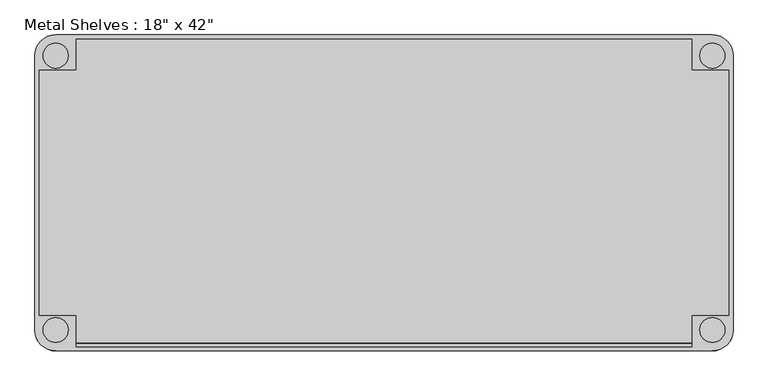
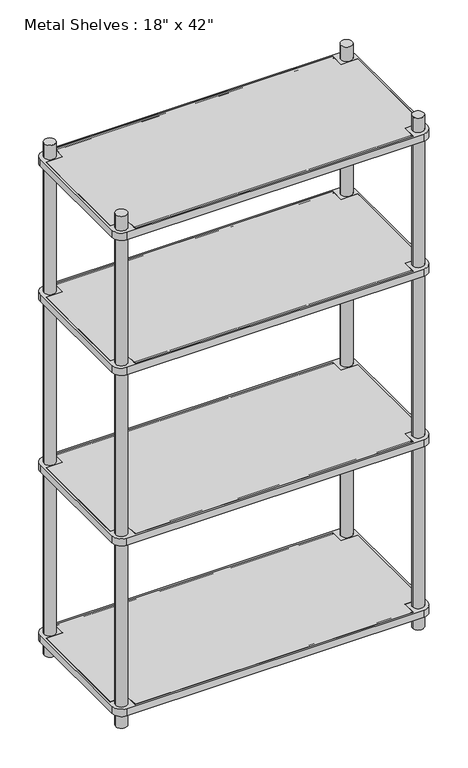
"""IFC4 building model written with IfcOpenShell, lengths in millimetres: furniture geometry."""

from ifc_helpers import new_model, si_unit, point, frame, frame_2d, origin, origin_with_axes, place, context, project, spatial, polyline, circle_curve, trimmed, segment, composite_curve, outline, extrude, source, transform, mapped, element, save


def furniture_3a2d54ac(model_context):
    return source(origin(), model_context, "Body", "SweptSolid", [
        extrude(outline(polyline([(-469.9, 234.95), (469.9, 234.95), (469.9, 187.325), (527.05, 187.325), (527.05, -187.325), (469.9, -187.325), (469.9, -234.95), (-469.9, -234.95), (-469.9, -187.325), (-527.05, -187.325), (-527.05, 187.325), (-469.9, 187.325), (-469.9, 234.95)])), frame((0.0, 0.0, 50.8), z_axis=(0.0, 0.0, 1.0), x_axis=(1.0, 0.0, 0.0)), (0.0, 0.0, 1.0), 25.4),
        extrude(outline(polyline([(-469.9, 234.95), (469.9, 234.95), (469.9, 187.325), (527.05, 187.325), (527.05, -187.325), (469.9, -187.325), (469.9, -234.95), (-469.9, -234.95), (-469.9, -187.325), (-527.05, -187.325), (-527.05, 187.325), (-469.9, 187.325), (-469.9, 234.95)])), frame((0.0, 0.0, 660.4), z_axis=(0.0, 0.0, 1.0), x_axis=(1.0, 0.0, 0.0)), (0.0, 0.0, 1.0), 25.4),
        extrude(outline(polyline([(-469.9, 234.95), (469.9, 234.95), (469.9, 187.325), (527.05, 187.325), (527.05, -187.325), (469.9, -187.325), (469.9, -234.95), (-469.9, -234.95), (-469.9, -187.325), (-527.05, -187.325), (-527.05, 187.325), (-469.9, 187.325), (-469.9, 234.95)])), frame((0.0, 0.0, 1270.0), z_axis=(0.0, 0.0, 1.0), x_axis=(1.0, 0.0, 0.0)), (0.0, 0.0, 1.0), 25.4),
        extrude(outline(polyline([(-527.05, 187.325), (-469.9, 187.325), (-469.9, 234.95), (469.9, 234.95), (469.9, 187.325), (527.05, 187.325), (527.05, -187.325), (469.9, -187.325), (469.9, -234.95), (-469.9, -234.95), (-469.9, -187.325), (-527.05, -187.325), (-527.05, 187.325)])), frame((0.0, 0.0, 1752.6), z_axis=(0.0, 0.0, 1.0), x_axis=(1.0, 0.0, 0.0)), (0.0, 0.0, 1.0), 25.4),
        extrude(outline(composite_curve([segment(trimmed(circle_curve(frame_2d((501.65, -209.55)), 31.75), [point((533.4, -209.55))], [point((501.65, -241.3))], False, "CARTESIAN"), True, "CONTINUOUS"), segment(polyline([(501.65, -241.3), (-501.65, -241.3)]), True, "CONTINUOUS"), segment(trimmed(circle_curve(frame_2d((-501.65, -209.55)), 31.75), [point((-501.65, -241.3))], [point((-533.4, -209.55))], False, "CARTESIAN"), True, "CONTINUOUS"), segment(polyline([(-533.4, -209.55), (-533.4, 209.55)]), True, "CONTINUOUS"), segment(trimmed(circle_curve(frame_2d((-501.65, 209.55)), 31.75), [point((-533.4, 209.55))], [point((-501.65, 241.3))], False, "CARTESIAN"), True, "CONTINUOUS"), segment(polyline([(-501.65, 241.3), (501.65, 241.3)]), True, "CONTINUOUS"), segment(trimmed(circle_curve(frame_2d((501.65, 209.55)), 31.75), [point((501.65, 241.3))], [point((533.4, 209.55))], False, "CARTESIAN"), True, "CONTINUOUS"), segment(polyline([(533.4, 209.55), (533.4, -209.55)]), True, "CONTINUOUS")], self_intersect=False), holes=[polyline([(-469.9, -234.95), (469.9, -234.95), (469.9, -187.325), (527.05, -187.325), (527.05, 187.325), (469.9, 187.325), (469.9, 234.95), (-469.9, 234.95), (-469.9, 187.325), (-527.05, 187.325), (-527.05, -187.325), (-469.9, -187.325), (-469.9, -234.95)]), composite_curve([segment(trimmed(circle_curve(frame_2d((501.65, -209.55)), 19.05), [point((482.6, -209.55))], [point((520.7, -209.55))], True, "CARTESIAN"), True, "CONTINUOUS"), segment(trimmed(circle_curve(frame_2d((501.65, -209.55)), 19.05), [point((520.7, -209.55))], [point((482.6, -209.55))], True, "CARTESIAN"), True, "CONTINUOUS")], self_intersect=False), composite_curve([segment(trimmed(circle_curve(frame_2d((501.65, 209.55)), 19.05), [point((482.6, 209.55))], [point((520.7, 209.55))], True, "CARTESIAN"), True, "CONTINUOUS"), segment(trimmed(circle_curve(frame_2d((501.65, 209.55)), 19.05), [point((520.7, 209.55))], [point((482.6, 209.55))], True, "CARTESIAN"), True, "CONTINUOUS")], self_intersect=False), composite_curve([segment(trimmed(circle_curve(frame_2d((-501.65, 209.55)), 19.05), [point((-482.6, 209.55))], [point((-520.7, 209.55))], True, "CARTESIAN"), True, "CONTINUOUS"), segment(trimmed(circle_curve(frame_2d((-501.65, 209.55)), 19.05), [point((-520.7, 209.55))], [point((-482.6, 209.55))], True, "CARTESIAN"), True, "CONTINUOUS")], self_intersect=False), composite_curve([segment(trimmed(circle_curve(frame_2d((-501.65, -209.55)), 19.05), [point((-482.6, -209.55))], [point((-520.7, -209.55))], True, "CARTESIAN"), True, "CONTINUOUS"), segment(trimmed(circle_curve(frame_2d((-501.65, -209.55)), 19.05), [point((-520.7, -209.55))], [point((-482.6, -209.55))], True, "CARTESIAN"), True, "CONTINUOUS")], self_intersect=False)]), frame((0.0, 0.0, 660.4), z_axis=(0.0, 0.0, 1.0), x_axis=(1.0, 0.0, 0.0)), (0.0, 0.0, 1.0), 25.4),
        extrude(outline(composite_curve([segment(trimmed(circle_curve(frame_2d((-501.65, -209.55)), 31.75), [point((-501.65, -241.3))], [point((-533.4, -209.55))], False, "CARTESIAN"), True, "CONTINUOUS"), segment(polyline([(-533.4, -209.55), (-533.4, 209.55)]), True, "CONTINUOUS"), segment(trimmed(circle_curve(frame_2d((-501.65, 209.55)), 31.75), [point((-533.4, 209.55))], [point((-501.65, 241.3))], False, "CARTESIAN"), True, "CONTINUOUS"), segment(polyline([(-501.65, 241.3), (501.65, 241.3)]), True, "CONTINUOUS"), segment(trimmed(circle_curve(frame_2d((501.65, 209.55)), 31.75), [point((501.65, 241.3))], [point((533.4, 209.55))], False, "CARTESIAN"), True, "CONTINUOUS"), segment(polyline([(533.4, 209.55), (533.4, -209.55)]), True, "CONTINUOUS"), segment(trimmed(circle_curve(frame_2d((501.65, -209.55)), 31.75), [point((533.4, -209.55))], [point((501.65, -241.3))], False, "CARTESIAN"), True, "CONTINUOUS"), segment(polyline([(501.65, -241.3), (-501.65, -241.3)]), True, "CONTINUOUS")], self_intersect=False), holes=[composite_curve([segment(trimmed(circle_curve(frame_2d((-501.65, -209.55)), 19.05), [point((-482.6, -209.55))], [point((-520.7, -209.55))], True, "CARTESIAN"), True, "CONTINUOUS"), segment(trimmed(circle_curve(frame_2d((-501.65, -209.55)), 19.05), [point((-520.7, -209.55))], [point((-482.6, -209.55))], True, "CARTESIAN"), True, "CONTINUOUS")], self_intersect=False), composite_curve([segment(trimmed(circle_curve(frame_2d((-501.65, 209.55)), 19.05), [point((-482.6, 209.55))], [point((-520.7, 209.55))], True, "CARTESIAN"), True, "CONTINUOUS"), segment(trimmed(circle_curve(frame_2d((-501.65, 209.55)), 19.05), [point((-520.7, 209.55))], [point((-482.6, 209.55))], True, "CARTESIAN"), True, "CONTINUOUS")], self_intersect=False), composite_curve([segment(trimmed(circle_curve(frame_2d((501.65, -209.55)), 19.05), [point((482.6, -209.55))], [point((520.7, -209.55))], True, "CARTESIAN"), True, "CONTINUOUS"), segment(trimmed(circle_curve(frame_2d((501.65, -209.55)), 19.05), [point((520.7, -209.55))], [point((482.6, -209.55))], True, "CARTESIAN"), True, "CONTINUOUS")], self_intersect=False), composite_curve([segment(trimmed(circle_curve(frame_2d((501.65, 209.55)), 19.05), [point((482.6, 209.55))], [point((520.7, 209.55))], True, "CARTESIAN"), True, "CONTINUOUS"), segment(trimmed(circle_curve(frame_2d((501.65, 209.55)), 19.05), [point((520.7, 209.55))], [point((482.6, 209.55))], True, "CARTESIAN"), True, "CONTINUOUS")], self_intersect=False), polyline([(-469.9, -234.95), (469.9, -234.95), (469.9, -187.325), (527.05, -187.325), (527.05, 187.325), (469.9, 187.325), (469.9, 234.95), (-469.9, 234.95), (-469.9, 187.325), (-527.05, 187.325), (-527.05, -187.325), (-469.9, -187.325), (-469.9, -234.95)])]), frame((0.0, 0.0, 50.8), z_axis=(0.0, 0.0, 1.0), x_axis=(1.0, 0.0, 0.0)), (0.0, 0.0, 1.0), 25.4),
        extrude(outline(composite_curve([segment(trimmed(circle_curve(frame_2d((-501.65, 209.55)), 31.75), [point((-533.4, 209.55))], [point((-501.65, 241.3))], False, "CARTESIAN"), True, "CONTINUOUS"), segment(polyline([(-501.65, 241.3), (501.65, 241.3)]), True, "CONTINUOUS"), segment(trimmed(circle_curve(frame_2d((501.65, 209.55)), 31.75), [point((501.65, 241.3))], [point((533.4, 209.55))], False, "CARTESIAN"), True, "CONTINUOUS"), segment(polyline([(533.4, 209.55), (533.4, -209.55)]), True, "CONTINUOUS"), segment(trimmed(circle_curve(frame_2d((501.65, -209.55)), 31.75), [point((533.4, -209.55))], [point((501.65, -241.3))], False, "CARTESIAN"), True, "CONTINUOUS"), segment(polyline([(501.65, -241.3), (-501.65, -241.3)]), True, "CONTINUOUS"), segment(trimmed(circle_curve(frame_2d((-501.65, -209.55)), 31.75), [point((-501.65, -241.3))], [point((-533.4, -209.55))], False, "CARTESIAN"), True, "CONTINUOUS"), segment(polyline([(-533.4, -209.55), (-533.4, 209.55)]), True, "CONTINUOUS")], self_intersect=False), holes=[composite_curve([segment(trimmed(circle_curve(frame_2d((-501.65, 209.55)), 19.05), [point((-482.6, 209.55))], [point((-520.7, 209.55))], True, "CARTESIAN"), True, "CONTINUOUS"), segment(trimmed(circle_curve(frame_2d((-501.65, 209.55)), 19.05), [point((-520.7, 209.55))], [point((-482.6, 209.55))], True, "CARTESIAN"), True, "CONTINUOUS")], self_intersect=False), composite_curve([segment(trimmed(circle_curve(frame_2d((-501.65, -209.55)), 19.05), [point((-482.6, -209.55))], [point((-520.7, -209.55))], True, "CARTESIAN"), True, "CONTINUOUS"), segment(trimmed(circle_curve(frame_2d((-501.65, -209.55)), 19.05), [point((-520.7, -209.55))], [point((-482.6, -209.55))], True, "CARTESIAN"), True, "CONTINUOUS")], self_intersect=False), composite_curve([segment(trimmed(circle_curve(frame_2d((501.65, -209.55)), 19.05), [point((482.6, -209.55))], [point((520.7, -209.55))], True, "CARTESIAN"), True, "CONTINUOUS"), segment(trimmed(circle_curve(frame_2d((501.65, -209.55)), 19.05), [point((520.7, -209.55))], [point((482.6, -209.55))], True, "CARTESIAN"), True, "CONTINUOUS")], self_intersect=False), polyline([(-469.9, -234.95), (469.9, -234.95), (469.9, -187.325), (527.05, -187.325), (527.05, 187.325), (469.9, 187.325), (469.9, 234.95), (-469.9, 234.95), (-469.9, 187.325), (-527.05, 187.325), (-527.05, -187.325), (-469.9, -187.325), (-469.9, -234.95)]), composite_curve([segment(trimmed(circle_curve(frame_2d((501.65, 209.55)), 19.05), [point((482.6, 209.55))], [point((520.7, 209.55))], True, "CARTESIAN"), True, "CONTINUOUS"), segment(trimmed(circle_curve(frame_2d((501.65, 209.55)), 19.05), [point((520.7, 209.55))], [point((482.6, 209.55))], True, "CARTESIAN"), True, "CONTINUOUS")], self_intersect=False)]), frame((0.0, 0.0, 1270.0), z_axis=(0.0, 0.0, 1.0), x_axis=(1.0, 0.0, 0.0)), (0.0, 0.0, 1.0), 25.4),
        extrude(outline(composite_curve([segment(trimmed(circle_curve(frame_2d((-501.65, -209.55)), 31.75), [point((-501.65, -241.3))], [point((-533.4, -209.55))], False, "CARTESIAN"), True, "CONTINUOUS"), segment(polyline([(-533.4, -209.55), (-533.4, 209.55)]), True, "CONTINUOUS"), segment(trimmed(circle_curve(frame_2d((-501.65, 209.55)), 31.75), [point((-533.4, 209.55))], [point((-501.65, 241.3))], False, "CARTESIAN"), True, "CONTINUOUS"), segment(polyline([(-501.65, 241.3), (501.65, 241.3)]), True, "CONTINUOUS"), segment(trimmed(circle_curve(frame_2d((501.65, 209.55)), 31.75), [point((501.65, 241.3))], [point((533.4, 209.55))], False, "CARTESIAN"), True, "CONTINUOUS"), segment(polyline([(533.4, 209.55), (533.4, -209.55)]), True, "CONTINUOUS"), segment(trimmed(circle_curve(frame_2d((501.65, -209.55)), 31.75), [point((533.4, -209.55))], [point((501.65, -241.3))], False, "CARTESIAN"), True, "CONTINUOUS"), segment(polyline([(501.65, -241.3), (-501.65, -241.3)]), True, "CONTINUOUS")], self_intersect=False), holes=[composite_curve([segment(trimmed(circle_curve(frame_2d((501.65, 209.55)), 19.05), [point((482.6, 209.55))], [point((520.7, 209.55))], True, "CARTESIAN"), True, "CONTINUOUS"), segment(trimmed(circle_curve(frame_2d((501.65, 209.55)), 19.05), [point((520.7, 209.55))], [point((482.6, 209.55))], True, "CARTESIAN"), True, "CONTINUOUS")], self_intersect=False), composite_curve([segment(trimmed(circle_curve(frame_2d((501.65, -209.55)), 19.05), [point((482.6, -209.55))], [point((520.7, -209.55))], True, "CARTESIAN"), True, "CONTINUOUS"), segment(trimmed(circle_curve(frame_2d((501.65, -209.55)), 19.05), [point((520.7, -209.55))], [point((482.6, -209.55))], True, "CARTESIAN"), True, "CONTINUOUS")], self_intersect=False), composite_curve([segment(trimmed(circle_curve(frame_2d((-501.65, 209.55)), 19.05), [point((-482.6, 209.55))], [point((-520.7, 209.55))], True, "CARTESIAN"), True, "CONTINUOUS"), segment(trimmed(circle_curve(frame_2d((-501.65, 209.55)), 19.05), [point((-520.7, 209.55))], [point((-482.6, 209.55))], True, "CARTESIAN"), True, "CONTINUOUS")], self_intersect=False), polyline([(527.05, -187.325), (527.05, 187.325), (469.9, 187.325), (469.9, 234.95), (-469.9, 234.95), (-469.9, 187.325), (-527.05, 187.325), (-527.05, -187.325), (-469.9, -187.325), (-469.9, -234.95), (469.9, -234.95), (469.9, -187.325), (527.05, -187.325)]), composite_curve([segment(trimmed(circle_curve(frame_2d((-501.65, -209.55)), 19.05), [point((-482.6, -209.55))], [point((-520.7, -209.55))], True, "CARTESIAN"), True, "CONTINUOUS"), segment(trimmed(circle_curve(frame_2d((-501.65, -209.55)), 19.05), [point((-520.7, -209.55))], [point((-482.6, -209.55))], True, "CARTESIAN"), True, "CONTINUOUS")], self_intersect=False)]), frame((0.0, 0.0, 1752.6), z_axis=(0.0, 0.0, 1.0), x_axis=(1.0, 0.0, 0.0)), (0.0, 0.0, 1.0), 25.4),
        extrude(outline(composite_curve([segment(trimmed(circle_curve(frame_2d((228.6, 1776.4125)), 1.5875), [point((227.0125, 1776.4125))], [point((230.1875, 1776.4125))], False, "CARTESIAN"), True, "CONTINUOUS"), segment(trimmed(circle_curve(frame_2d((228.6, 1776.4125)), 1.5875), [point((230.1875, 1776.4125))], [point((227.0125, 1776.4125))], False, "CARTESIAN"), True, "CONTINUOUS")], self_intersect=False)), frame((-469.9, 0.0, 0.0), z_axis=(1.0, 0.0, 0.0), x_axis=(0.0, 1.0, 0.0)), (0.0, 0.0, 1.0), 939.8),
        extrude(outline(composite_curve([segment(trimmed(circle_curve(frame_2d((-228.6, 1776.4125)), 1.5875), [point((-230.1875, 1776.4125))], [point((-227.0125, 1776.4125))], False, "CARTESIAN"), True, "CONTINUOUS"), segment(trimmed(circle_curve(frame_2d((-228.6, 1776.4125)), 1.5875), [point((-227.0125, 1776.4125))], [point((-230.1875, 1776.4125))], False, "CARTESIAN"), True, "CONTINUOUS")], self_intersect=False)), frame((-469.9, 0.0, 0.0), z_axis=(1.0, 0.0, 0.0), x_axis=(0.0, 1.0, 0.0)), (0.0, 0.0, 1.0), 939.8),
        extrude(outline(composite_curve([segment(trimmed(circle_curve(frame_2d((228.6, 1293.8125)), 1.5875), [point((227.0125, 1293.8125))], [point((230.1875, 1293.8125))], False, "CARTESIAN"), True, "CONTINUOUS"), segment(trimmed(circle_curve(frame_2d((228.6, 1293.8125)), 1.5875), [point((230.1875, 1293.8125))], [point((227.0125, 1293.8125))], False, "CARTESIAN"), True, "CONTINUOUS")], self_intersect=False)), frame((-469.9, 0.0, 0.0), z_axis=(1.0, 0.0, 0.0), x_axis=(0.0, 1.0, 0.0)), (0.0, 0.0, 1.0), 939.8),
        extrude(outline(composite_curve([segment(trimmed(circle_curve(frame_2d((-228.6, 1293.8125)), 1.5875), [point((-230.1875, 1293.8125))], [point((-227.0125, 1293.8125))], False, "CARTESIAN"), True, "CONTINUOUS"), segment(trimmed(circle_curve(frame_2d((-228.6, 1293.8125)), 1.5875), [point((-227.0125, 1293.8125))], [point((-230.1875, 1293.8125))], False, "CARTESIAN"), True, "CONTINUOUS")], self_intersect=False)), frame((-469.9, 0.0, 0.0), z_axis=(1.0, 0.0, 0.0), x_axis=(0.0, 1.0, 0.0)), (0.0, 0.0, 1.0), 939.8),
        extrude(outline(composite_curve([segment(trimmed(circle_curve(frame_2d((228.6, 684.2125)), 1.5875), [point((227.0125, 684.2125))], [point((230.1875, 684.2125))], False, "CARTESIAN"), True, "CONTINUOUS"), segment(trimmed(circle_curve(frame_2d((228.6, 684.2125)), 1.5875), [point((230.1875, 684.2125))], [point((227.0125, 684.2125))], False, "CARTESIAN"), True, "CONTINUOUS")], self_intersect=False)), frame((-469.9, 0.0, 0.0), z_axis=(1.0, 0.0, 0.0), x_axis=(0.0, 1.0, 0.0)), (0.0, 0.0, 1.0), 939.8),
        extrude(outline(composite_curve([segment(trimmed(circle_curve(frame_2d((-228.6, 684.2125)), 1.5875), [point((-230.1875, 684.2125))], [point((-227.0125, 684.2125))], False, "CARTESIAN"), True, "CONTINUOUS"), segment(trimmed(circle_curve(frame_2d((-228.6, 684.2125)), 1.5875), [point((-227.0125, 684.2125))], [point((-230.1875, 684.2125))], False, "CARTESIAN"), True, "CONTINUOUS")], self_intersect=False)), frame((-469.9, 0.0, 0.0), z_axis=(1.0, 0.0, 0.0), x_axis=(0.0, 1.0, 0.0)), (0.0, 0.0, 1.0), 939.8),
        extrude(outline(composite_curve([segment(trimmed(circle_curve(frame_2d((228.6, 74.6125)), 1.5875), [point((227.0125, 74.6125))], [point((230.1875, 74.6125))], False, "CARTESIAN"), True, "CONTINUOUS"), segment(trimmed(circle_curve(frame_2d((228.6, 74.6125)), 1.5875), [point((230.1875, 74.6125))], [point((227.0125, 74.6125))], False, "CARTESIAN"), True, "CONTINUOUS")], self_intersect=False)), frame((-469.9, 0.0, 0.0), z_axis=(1.0, 0.0, 0.0), x_axis=(0.0, 1.0, 0.0)), (0.0, 0.0, 1.0), 939.8),
        extrude(outline(composite_curve([segment(trimmed(circle_curve(frame_2d((-228.6, 74.6125)), 1.5875), [point((-230.1875, 74.6125))], [point((-227.0125, 74.6125))], False, "CARTESIAN"), True, "CONTINUOUS"), segment(trimmed(circle_curve(frame_2d((-228.6, 74.6125)), 1.5875), [point((-227.0125, 74.6125))], [point((-230.1875, 74.6125))], False, "CARTESIAN"), True, "CONTINUOUS")], self_intersect=False)), frame((-469.9, 0.0, 0.0), z_axis=(1.0, 0.0, 0.0), x_axis=(0.0, 1.0, 0.0)), (0.0, 0.0, 1.0), 939.8),
        extrude(outline(composite_curve([segment(trimmed(circle_curve(frame_2d((501.65, -209.55)), 19.05), [point((520.7, -209.55))], [point((482.6, -209.55))], False, "CARTESIAN"), True, "CONTINUOUS"), segment(trimmed(circle_curve(frame_2d((501.65, -209.55)), 19.05), [point((482.6, -209.55))], [point((520.7, -209.55))], False, "CARTESIAN"), True, "CONTINUOUS")], self_intersect=False)), origin_with_axes(), (0.0, 0.0, 1.0), 1828.8),
        extrude(outline(composite_curve([segment(trimmed(circle_curve(frame_2d((-501.65, -209.55)), 19.05), [point((-520.7, -209.55))], [point((-482.6, -209.55))], False, "CARTESIAN"), True, "CONTINUOUS"), segment(trimmed(circle_curve(frame_2d((-501.65, -209.55)), 19.05), [point((-482.6, -209.55))], [point((-520.7, -209.55))], False, "CARTESIAN"), True, "CONTINUOUS")], self_intersect=False)), origin_with_axes(), (0.0, 0.0, 1.0), 1828.8),
        extrude(outline(composite_curve([segment(trimmed(circle_curve(frame_2d((501.65, 209.55)), 19.05), [point((520.7, 209.55))], [point((482.6, 209.55))], False, "CARTESIAN"), True, "CONTINUOUS"), segment(trimmed(circle_curve(frame_2d((501.65, 209.55)), 19.05), [point((482.6, 209.55))], [point((520.7, 209.55))], False, "CARTESIAN"), True, "CONTINUOUS")], self_intersect=False)), origin_with_axes(), (0.0, 0.0, 1.0), 1828.8),
        extrude(outline(composite_curve([segment(trimmed(circle_curve(frame_2d((-501.65, 209.55)), 19.05), [point((-520.7, 209.55))], [point((-482.6, 209.55))], False, "CARTESIAN"), True, "CONTINUOUS"), segment(trimmed(circle_curve(frame_2d((-501.65, 209.55)), 19.05), [point((-482.6, 209.55))], [point((-520.7, 209.55))], False, "CARTESIAN"), True, "CONTINUOUS")], self_intersect=False)), origin_with_axes(), (0.0, 0.0, 1.0), 1828.8),
    ])


if __name__ == "__main__":
    model = new_model("IFC4")
    model_context = context("Model", 3, world=origin())
    ifc_project = project(units=[si_unit("LENGTHUNIT", "METRE", prefix="MILLI")], contexts=[model_context])
    site = spatial("IfcSite", under=ifc_project)
    building = spatial("IfcBuilding", under=site)
    placement = place(None, origin())
    furniture_shape = furniture_3a2d54ac(model_context)
    element("IfcFurniture", 1, ObjectType="Metal Shelves : 18\" x 42\"", at=placement, inside=building, context=model_context, shape_type="MappedRepresentation", body=[
        mapped(furniture_shape, transform((0.0, 0.0, 0.0), x_axis=(1.0, 0.0, 0.0), y_axis=(0.0, 1.0, 0.0), z_axis=(0.0, 0.0, 1.0))),
    ])
    save(model, "model.ifc")
